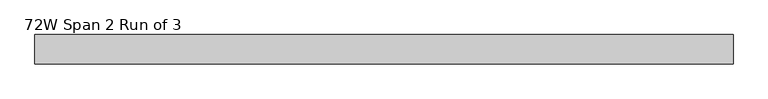
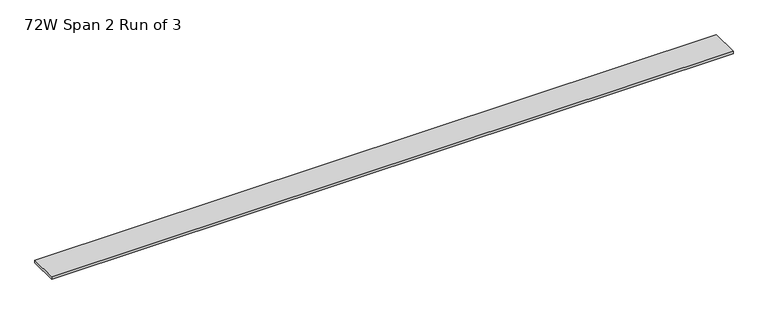
"""IFC4 building model written with IfcOpenShell, lengths in millimetres: furniture geometry, 72W Span 2 Run of 3."""

from ifc_helpers import new_model, si_unit, frame, origin, place, context, project, spatial, polyline, outline, extrude, source, transform, mapped, element, save


def furniture_72w_span_2_run_of_3_5829c976(model_context):
    return source(origin(), model_context, "Body", "SweptSolid", [
        extrude(outline(polyline([(858.41205, 38.735), (858.41205, -38.735), (-970.38795, -38.735), (-970.38795, 38.735), (858.41205, 38.735)])), frame((0.0, 0.0, 1429.766), z_axis=(0.0, 0.0, 1.0), x_axis=(1.0, 0.0, 0.0)), (0.0, 0.0, 1.0), 6.858),
    ])


if __name__ == "__main__":
    model = new_model("IFC4")
    model_context = context("Model", 3, world=origin())
    ifc_project = project(units=[si_unit("LENGTHUNIT", "METRE", prefix="MILLI")], contexts=[model_context])
    site = spatial("IfcSite", under=ifc_project)
    building = spatial("IfcBuilding", under=site)
    placement = place(None, origin())
    furniture_72w_span_2_run_of_3_shape = furniture_72w_span_2_run_of_3_5829c976(model_context)
    element("IfcFurniture", 1, ObjectType="72W Span 2 Run of 3", at=placement, inside=building, context=model_context, shape_type="MappedRepresentation", body=[
        mapped(furniture_72w_span_2_run_of_3_shape, transform((0.0, 0.0, 0.0), x_axis=(1.0, 0.0, 0.0), y_axis=(0.0, 1.0, 0.0), z_axis=(0.0, 0.0, 1.0))),
    ])
    save(model, "model.ifc")
